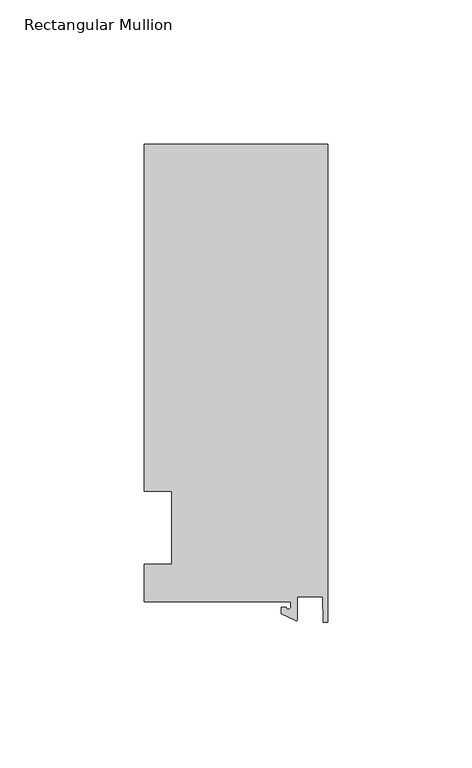
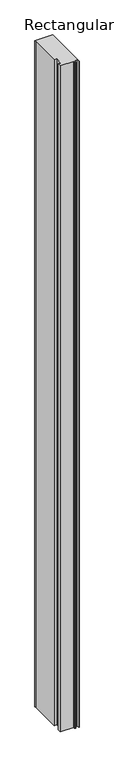
"""IFC4 building model written with IfcOpenShell, lengths in millimetres: member geometry, Rectangular Mullion."""

from ifc_helpers import new_model, si_unit, point, frame, frame_2d, origin, place, context, project, spatial, polyline, circle_curve, trimmed, segment, composite_curve, outline, extrude, source, transform, mapped, element, save


def rectangular_mullion_01fa077f(model_context):
    return source(origin(), model_context, "Body", "SweptSolid", [
        extrude(outline(composite_curve([segment(polyline([(-12.8216721, -25.5984375), (-63.5, -25.5984375), (-63.5, -12.7), (-53.975, -12.7), (-53.975, 12.7), (-63.5, 12.7), (-63.5, 125.075512), (-63.5, 132.822512), (0.0, 132.822512), (0.0, -32.810012), (-1.5566453, -32.810012), (-1.7144124, -23.9227662), (-10.4340721, -23.9227662), (-10.4340721, -31.6795354)]), True, "CONTINUOUS"), segment(trimmed(circle_curve(frame_2d((-10.9420721, -31.6795354)), 0.508), [point((-10.4340721, -31.6795354))], [point((-11.1567622, -32.1399398))], False, "CARTESIAN"), True, "CONTINUOUS"), segment(polyline([(-11.1567622, -32.1399398), (-15.9966721, -29.8830527), (-15.9966721, -27.5208534), (-14.4091721, -27.5208534)]), True, "CONTINUOUS"), segment(trimmed(circle_curve(frame_2d((-13.6154221, -27.5208534)), 0.79375), [point((-14.4091721, -27.5208534))], [point((-12.8216721, -27.5208534))], True, "CARTESIAN"), True, "CONTINUOUS"), segment(polyline([(-12.8216721, -27.5208534), (-12.8216721, -25.5984375)]), True, "CONTINUOUS")], self_intersect=False)), frame((0.0, 0.0, -2540.0), z_axis=(0.0, 0.0, 1.0), x_axis=(1.0, 0.0, 0.0)), (0.0, 0.0, 1.0), 2540.0),
    ])


if __name__ == "__main__":
    model = new_model("IFC4")
    model_context = context("Model", 3, world=origin())
    ifc_project = project(units=[si_unit("LENGTHUNIT", "METRE", prefix="MILLI")], contexts=[model_context])
    site = spatial("IfcSite", under=ifc_project)
    building = spatial("IfcBuilding", under=site)
    placement = place(None, origin())
    rectangular_mullion_shape = rectangular_mullion_01fa077f(model_context)
    element("IfcMember", 1, ObjectType="Rectangular Mullion", at=placement, inside=building, context=model_context, shape_type="MappedRepresentation", body=[
        mapped(rectangular_mullion_shape, transform((0.0, 0.0, 0.0), x_axis=(1.0, 0.0, 0.0), y_axis=(0.0, 1.0, 0.0), z_axis=(0.0, 0.0, 1.0))),
    ])
    save(model, "model.ifc")
